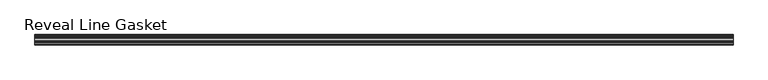
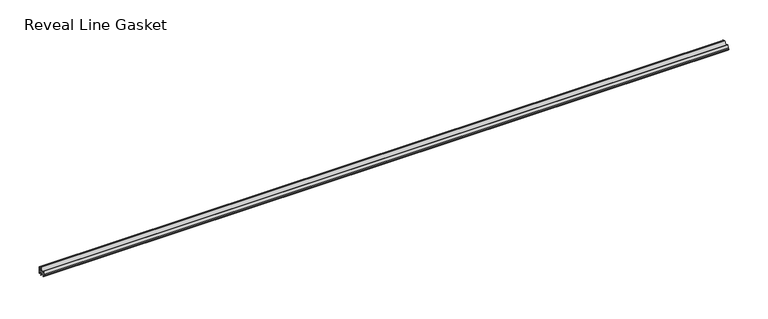
"""IFC4 building model written with IfcOpenShell, lengths in millimetres: furniture geometry, Reveal Line Gasket."""

from ifc_helpers import new_model, si_unit, point, frame, frame_2d, origin, place, context, project, spatial, polyline, circle_curve, trimmed, segment, composite_curve, outline, extrude, source, transform, mapped, element, save


def reveal_line_gasket_876f636f(model_context):
    return source(origin(), model_context, "Body", "SweptSolid", [
        extrude(outline(composite_curve([segment(polyline([(7.6326998, 1603.2), (7.6326998, 1597.2), (7.4091917, 1596.2445073), (6.8813059, 1595.3115316)]), True, "CONTINUOUS"), segment(trimmed(circle_curve(frame_2d((6.5243141, 1595.5135207)), 0.4101739), [point((6.8813059, 1595.3115316))], [point((6.1246704, 1595.6058653))], False, "CARTESIAN"), True, "CONTINUOUS"), segment(polyline([(6.1246704, 1595.6058653), (6.3626997, 1597.3020914), (6.3626997, 1599.3345473)]), True, "CONTINUOUS"), segment(trimmed(circle_curve(frame_2d((5.6959605, 1598.9180742)), 0.786124), [point((6.3626997, 1599.3345473))], [point((5.0926996, 1599.422125))], True, "CARTESIAN"), True, "CONTINUOUS"), segment(polyline([(5.0926996, 1599.422125), (0.7492996, 1599.422125), (3.7293824, 1594.2604705)]), True, "CONTINUOUS"), segment(trimmed(circle_curve(frame_2d((3.3132479, 1594.1950239)), 0.4212495), [point((3.7293824, 1594.2604705))], [point((3.0485022, 1593.8673642))], False, "CARTESIAN"), True, "CONTINUOUS"), segment(polyline([(3.0485022, 1593.8673642), (-0.5742594, 1599.422125), (-4.8262978, 1599.422125), (-3.1660374, 1596.5464703)]), True, "CONTINUOUS"), segment(trimmed(circle_curve(frame_2d((-3.5978728, 1596.4881145)), 0.4357605), [point((-3.1660374, 1596.5464703))], [point((-3.864328, 1596.1433119))], False, "CARTESIAN"), True, "CONTINUOUS"), segment(polyline([(-3.864328, 1596.1433119), (-6.1944059, 1599.422125), (-7.6326998, 1599.422125), (-7.6326998, 1600.977875), (-6.1944059, 1600.977875), (-3.864328, 1604.2566881)]), True, "CONTINUOUS"), segment(trimmed(circle_curve(frame_2d((-3.5978728, 1603.9118855)), 0.4357605), [point((-3.864328, 1604.2566881))], [point((-3.1660374, 1603.8535297))], False, "CARTESIAN"), True, "CONTINUOUS"), segment(polyline([(-3.1660374, 1603.8535297), (-4.8262978, 1600.977875), (-0.5742594, 1600.977875), (3.0485022, 1606.5326358)]), True, "CONTINUOUS"), segment(trimmed(circle_curve(frame_2d((3.3132479, 1606.2049761)), 0.4212495), [point((3.0485022, 1606.5326358))], [point((3.7293824, 1606.1395295))], False, "CARTESIAN"), True, "CONTINUOUS"), segment(polyline([(3.7293824, 1606.1395295), (0.7492996, 1600.977875), (5.0926996, 1600.977875)]), True, "CONTINUOUS"), segment(trimmed(circle_curve(frame_2d((5.6959605, 1601.4819258)), 0.786124), [point((5.0926996, 1600.977875))], [point((6.3626997, 1601.0654527))], True, "CARTESIAN"), True, "CONTINUOUS"), segment(polyline([(6.3626997, 1601.0654527), (6.3626997, 1603.0979086), (6.1246704, 1604.7941347)]), True, "CONTINUOUS"), segment(trimmed(circle_curve(frame_2d((6.5243141, 1604.8864793)), 0.4101739), [point((6.1246704, 1604.7941347))], [point((6.8813059, 1605.0884684))], False, "CARTESIAN"), True, "CONTINUOUS"), segment(polyline([(6.8813059, 1605.0884684), (7.4091917, 1604.1554927), (7.6326998, 1603.2)]), True, "CONTINUOUS")], self_intersect=False)), frame((-506.1204, 0.0, 0.0), z_axis=(1.0, 0.0, 0.0), x_axis=(0.0, 1.0, 0.0)), (0.0, 0.0, 1.0), 1012.2408),
    ])


if __name__ == "__main__":
    model = new_model("IFC4")
    model_context = context("Model", 3, world=origin())
    ifc_project = project(units=[si_unit("LENGTHUNIT", "METRE", prefix="MILLI")], contexts=[model_context])
    site = spatial("IfcSite", under=ifc_project)
    building = spatial("IfcBuilding", under=site)
    placement = place(None, origin())
    reveal_line_gasket_shape = reveal_line_gasket_876f636f(model_context)
    element("IfcFurniture", 1, ObjectType="Reveal Line Gasket", at=placement, inside=building, context=model_context, shape_type="MappedRepresentation", body=[
        mapped(reveal_line_gasket_shape, transform((0.0, 0.0, 0.0), x_axis=(1.0, 0.0, 0.0), y_axis=(0.0, 1.0, 0.0), z_axis=(0.0, 0.0, 1.0))),
    ])
    save(model, "model.ifc")
